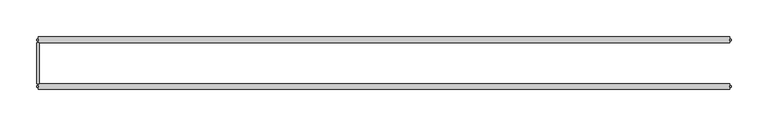
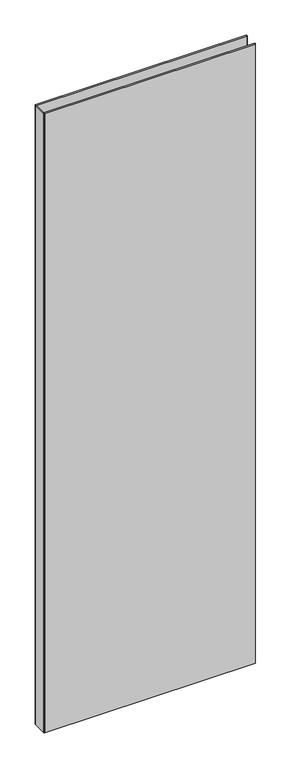
"""IFC4 building model written with IfcOpenShell, lengths in millimetres: plate geometry."""

from ifc_helpers import new_model, si_unit, origin, origin_with_axes, place, context, project, spatial, polyline, outline, extrude, source, transform, mapped, element, save


def plate_f0b9b400(model_context):
    return source(origin(), model_context, "Body", "SweptSolid", [
        extrude(outline(polyline([(-468.085358, 27.7), (-468.085358, -27.7), (-471.085358, -27.7), (-471.085358, 27.7), (-468.085358, 27.7)])), origin_with_axes(), (0.0, 0.0, 1.0), 2915.0),
        extrude(outline(polyline([(-469.085358, 32.7), (-469.085358, 30.7), (-471.085358, 30.7), (-471.085358, 32.7), (-469.085358, 32.7)])), origin_with_axes(), (0.0, 0.0, 1.0), 2915.0),
        extrude(outline(polyline([(-469.085358, -30.7), (-469.085358, -32.7), (-471.085358, -32.7), (-471.085358, -30.7), (-469.085358, -30.7)])), origin_with_axes(), (0.0, 0.0, 1.0), 2915.0),
        extrude(outline(polyline([(469.085358, 32.7), (471.085358, 32.7), (471.085358, 30.7), (469.085358, 30.7), (469.085358, 32.7)])), origin_with_axes(), (0.0, 0.0, 1.0), 2915.0),
        extrude(outline(polyline([(471.085358, -30.7), (471.085358, -32.7), (469.085358, -32.7), (469.085358, -30.7), (471.085358, -30.7)])), origin_with_axes(), (0.0, 0.0, 1.0), 2915.0),
        extrude(outline(polyline([(469.085358, 27.7), (-469.085358, 27.7), (-469.085358, 35.7), (469.085358, 35.7), (469.085358, 27.7)])), origin_with_axes(), (0.0, 0.0, 1.0), 2915.0),
        extrude(outline(polyline([(-469.085358, -35.7), (-469.085358, -27.7), (469.085358, -27.7), (469.085358, -35.7), (-469.085358, -35.7)])), origin_with_axes(), (0.0, 0.0, 1.0), 2915.0),
    ])


if __name__ == "__main__":
    model = new_model("IFC4")
    model_context = context("Model", 3, world=origin())
    ifc_project = project(units=[si_unit("LENGTHUNIT", "METRE", prefix="MILLI")], contexts=[model_context])
    site = spatial("IfcSite", under=ifc_project)
    building = spatial("IfcBuilding", under=site)
    placement = place(None, origin())
    plate_shape = plate_f0b9b400(model_context)
    element("IfcPlate", 1, at=placement, inside=building, context=model_context, shape_type="MappedRepresentation", body=[
        mapped(plate_shape, transform((0.0, 0.0, 0.0), x_axis=(1.0, 0.0, 0.0), y_axis=(0.0, 1.0, 0.0), z_axis=(0.0, 0.0, 1.0))),
    ])
    save(model, "model.ifc")
